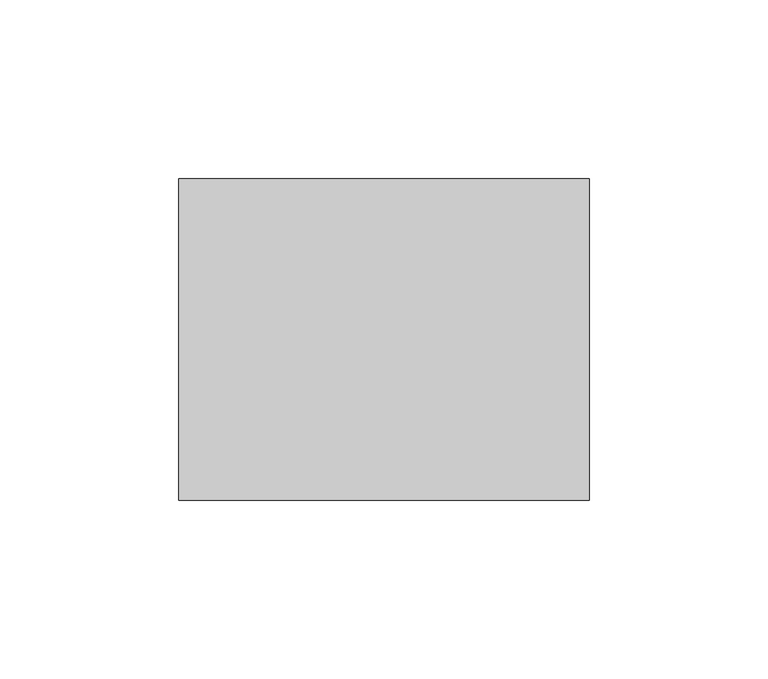
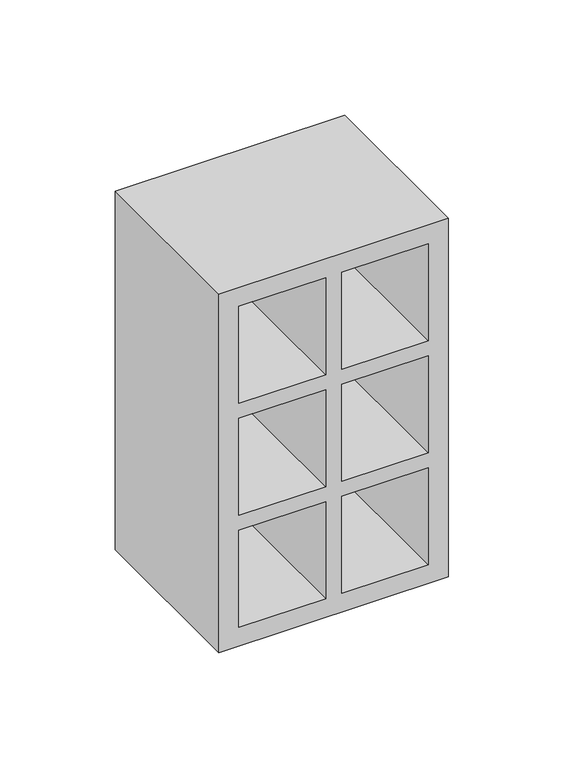
"""IFC4 building model written with IfcOpenShell, lengths in millimetres: proxy geometry."""

from ifc_helpers import new_model, si_unit, frame, origin, place, context, project, spatial, polyline, outline, extrude, source, transform, mapped, element, save


def generic_models_927bd8f5(model_context):
    return source(origin(), model_context, "Body", "SweptSolid", [
        extrude(outline(polyline([(0.0, 115.0), (190.0, 115.0), (190.0, 0.0), (0.0, 0.0), (0.0, 115.0)]), holes=[polyline([(10.0, 61.5), (61.3, 61.5), (61.3, 105.0), (10.0, 105.0), (10.0, 61.5)]), polyline([(10.0, 53.5), (10.0, 10.0), (61.3, 10.0), (61.3, 53.5), (10.0, 53.5)]), polyline([(180.0, 61.5), (180.0, 105.0), (128.7, 105.0), (128.7, 61.5), (180.0, 61.5)]), polyline([(180.0, 53.5), (128.7, 53.5), (128.7, 10.0), (180.0, 10.0), (180.0, 53.5)]), polyline([(120.7, 61.5), (120.7, 105.0), (69.3, 105.0), (69.3, 61.5), (120.7, 61.5)]), polyline([(120.7, 53.5), (69.3, 53.5), (69.3, 10.0), (120.7, 10.0), (120.7, 53.5)])]), frame((0.0, 0.0, 0.0), z_axis=(0.0, 1.0, 0.0), x_axis=(0.0, 0.0, 1.0)), (0.0, 0.0, 1.0), 90.0),
    ])


if __name__ == "__main__":
    model = new_model("IFC4")
    model_context = context("Model", 3, world=origin())
    ifc_project = project(units=[si_unit("LENGTHUNIT", "METRE", prefix="MILLI")], contexts=[model_context])
    site = spatial("IfcSite", under=ifc_project)
    building = spatial("IfcBuilding", under=site)
    placement = place(None, origin())
    generic_models_shape = generic_models_927bd8f5(model_context)
    element("IfcBuildingElementProxy", 1, Name="Generic Models", at=placement, inside=building, context=model_context, shape_type="MappedRepresentation", body=[
        mapped(generic_models_shape, transform((0.0, 0.0, 0.0), x_axis=(1.0, 0.0, 0.0), y_axis=(0.0, 1.0, 0.0), z_axis=(0.0, 0.0, 1.0))),
    ])
    save(model, "model.ifc")
